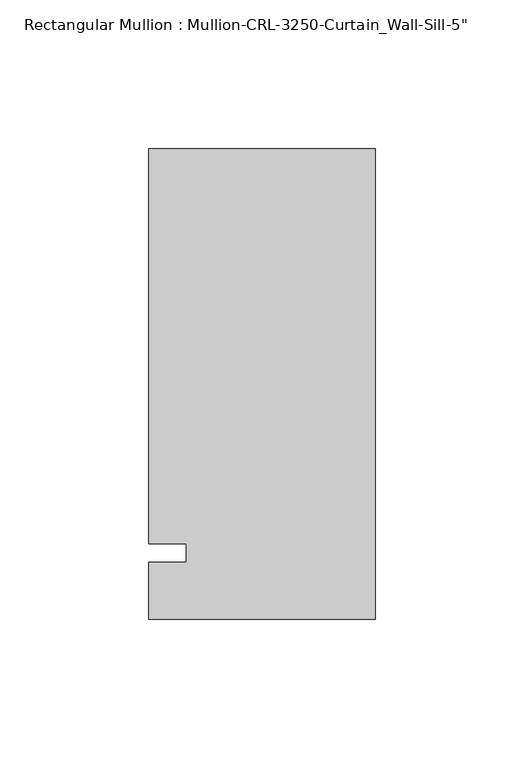
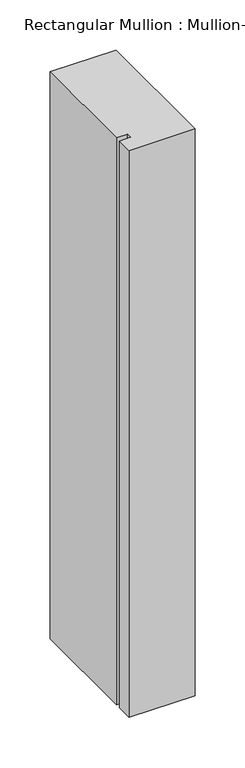
"""IFC4 building model written with IfcOpenShell, lengths in millimetres: member geometry."""

from ifc_helpers import new_model, si_unit, frame, origin, place, context, project, spatial, polyline, outline, extrude, source, transform, mapped, element, save


def member_541a67ef(model_context):
    return source(origin(), model_context, "Body", "SweptSolid", [
        extrude(outline(polyline([(-76.199997, -3.175), (-63.499997, -3.175), (-63.499997, 3.175), (-76.199997, 3.175), (-76.199997, 136.0175661), (0.0, 136.0175661), (0.0, -22.2254168), (-76.199997, -22.2254168), (-76.199997, -3.175)])), frame((0.0, 0.0, -692.1419934), z_axis=(0.0, 0.0, 1.0), x_axis=(1.0, 0.0, 0.0)), (0.0, 0.0, 1.0), 692.1419934),
    ])


if __name__ == "__main__":
    model = new_model("IFC4")
    model_context = context("Model", 3, world=origin())
    ifc_project = project(units=[si_unit("LENGTHUNIT", "METRE", prefix="MILLI")], contexts=[model_context])
    site = spatial("IfcSite", under=ifc_project)
    building = spatial("IfcBuilding", under=site)
    placement = place(None, origin())
    member_shape = member_541a67ef(model_context)
    element("IfcMember", 1, ObjectType="Rectangular Mullion : Mullion-CRL-3250-Curtain_Wall-Sill-5\"", at=placement, inside=building, context=model_context, shape_type="MappedRepresentation", body=[
        mapped(member_shape, transform((0.0, 0.0, 0.0), x_axis=(1.0, 0.0, 0.0), y_axis=(0.0, 1.0, 0.0), z_axis=(0.0, 0.0, 1.0))),
    ])
    save(model, "model.ifc")
